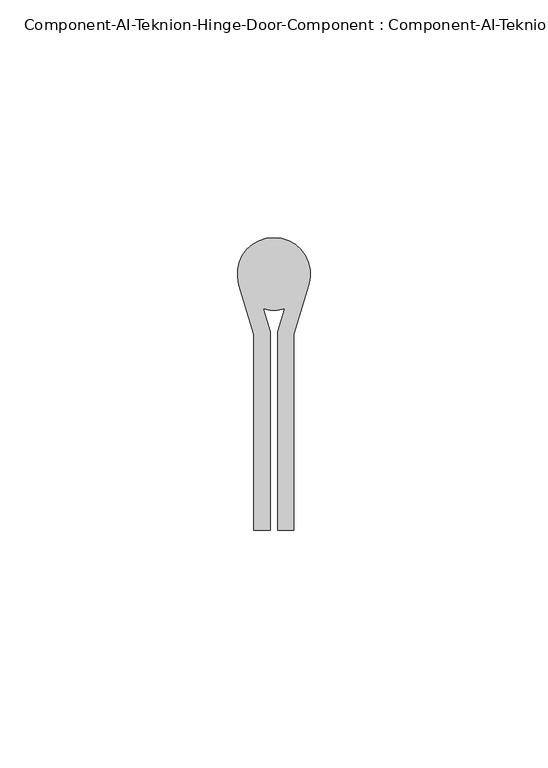
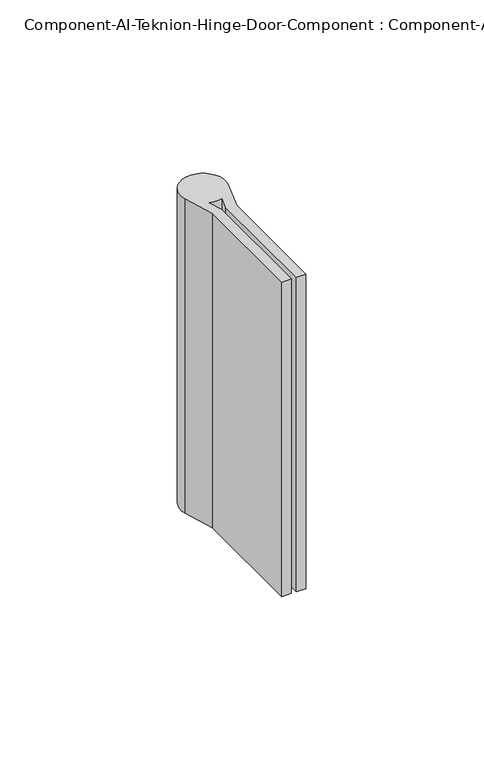
"""IFC4 building model written with IfcOpenShell, lengths in millimetres: furniture geometry, Component-AI-Teknion-Hinge-Door-Component : Component-AI-Teknion-Hinge-Door-Component."""

import ifcopenshell
import ifcopenshell.guid

model = None  # the IFC model being written
_history = None  # IfcOwnerHistory: only IFC2X3 demands one
_inside = {}  # id of a spatial element -> (the spatial element, [elements in it])
_under = {}  # id of a project, library or spatial element -> (it, [spatial elements below it])
_declared = {}  # id of a project -> (the project, [libraries it declares])
_typed = {}  # id of a type object -> (the type object, [elements of that type])
_made_of = {}  # id of a material, layer set ... -> (it, [elements and type objects made of it])


def new_model(schema):
    """Start an empty IFC model of exactly this schema.

    Asked for "IFC4X3", IfcOpenShell would pick the latest addendum, in which some entities
    have other attributes; the version numbers below select the first issue.
    IFC2X3 requires an IfcOwnerHistory on every rooted entity: one is made here for all.
    """
    global model, _history
    if schema == "IFC4X3":
        model = ifcopenshell.file(schema_version=(4, 3, 0, 0))
    else:
        model = ifcopenshell.file(schema=schema)
    _inside.clear()
    _under.clear()
    _declared.clear()
    _typed.clear()
    _made_of.clear()
    _history = None
    if model.schema == "IFC2X3":
        org = make("IfcOrganization", Name="unknown")
        user = make(
            "IfcPersonAndOrganization",
            ThePerson=make("IfcPerson", FamilyName="unknown"),
            TheOrganization=org,
        )
        app = make(
            "IfcApplication",
            ApplicationDeveloper=org,
            Version="unknown",
            ApplicationFullName="unknown",
            ApplicationIdentifier="unknown",
        )
        _history = make(
            "IfcOwnerHistory",
            OwningUser=user,
            OwningApplication=app,
            ChangeAction="ADDED",
            CreationDate=0,
        )
    return model


def make(cls, **values):
    """One entity of the class cls with the attributes given. An attribute that is None is left unset."""
    return model.create_entity(
        cls, **{name: value for name, value in values.items() if value is not None}
    )


def rooted(cls, **values):
    """An entity with a GlobalId (a new one), such as an element, a storey or a relation."""
    return make(cls, GlobalId=ifcopenshell.guid.new(), OwnerHistory=_history, **values)


def si_unit(unit_type, name, prefix=None):
    """IfcSIUnit, for example si_unit("LENGTHUNIT", "METRE", prefix="MILLI")."""
    return make("IfcSIUnit", UnitType=unit_type, Prefix=prefix, Name=name)


def assignment(units):
    """IfcUnitAssignment: the units of a project."""
    return None if units is None else make("IfcUnitAssignment", Units=units)


def point(xyz):
    """IfcCartesianPoint."""
    return None if xyz is None else make("IfcCartesianPoint", Coordinates=xyz)


def direction(xyz):
    """IfcDirection."""
    return None if xyz is None else make("IfcDirection", DirectionRatios=xyz)


def frame(location, z_axis=None, x_axis=None):
    """IfcAxis2Placement3D, a coordinate frame: its origin and axes. An axis left out is left unset."""
    return make(
        "IfcAxis2Placement3D",
        Location=point(location),
        Axis=direction(z_axis),
        RefDirection=direction(x_axis),
    )


def frame_2d(location, x_axis=None):
    """IfcAxis2Placement2D, a coordinate frame in the plane: its origin and x axis."""
    return make(
        "IfcAxis2Placement2D", Location=point(location), RefDirection=direction(x_axis)
    )


def origin():
    """The frame at (0, 0, 0) with its axes left unset."""
    return frame((0.0, 0.0, 0.0))


def origin_with_axes():
    """The frame at (0, 0, 0) with the z axis (0, 0, 1) and the x axis (1, 0, 0) written out."""
    return frame((0.0, 0.0, 0.0), z_axis=(0.0, 0.0, 1.0), x_axis=(1.0, 0.0, 0.0))


def place(relative_to, where):
    """IfcLocalPlacement: puts the frame where relative to a parent placement (None: the world)."""
    return make(
        "IfcLocalPlacement", PlacementRelTo=relative_to, RelativePlacement=where
    )


def context(
    kind, dimensions, precision=None, world=None, true_north=None, identifier=None
):
    """IfcGeometricRepresentationContext, for example the 3D "Model" context."""
    return make(
        "IfcGeometricRepresentationContext",
        ContextIdentifier=identifier,
        ContextType=kind,
        CoordinateSpaceDimension=dimensions,
        Precision=precision,
        WorldCoordinateSystem=world,
        TrueNorth=true_north,
    )


def project(units=None, contexts=None):
    """IfcProject with its units and contexts."""
    return rooted(
        "IfcProject",
        Name="project",
        RepresentationContexts=contexts,
        UnitsInContext=assignment(units),
    )


def spatial(cls, under=None, at=None, **own):
    """A site, building, storey or space (cls), placed at a placement, below another one or the project."""
    s = rooted(cls, ObjectPlacement=at, **own)
    if under is not None:
        _under.setdefault(under.id(), (under, []))[1].append(s)
    return s


def polyline(points):
    """IfcPolyline through the points."""
    return make("IfcPolyline", Points=[point(p) for p in points])


def circle_curve(where, radius):
    """IfcCircle in the frame where."""
    return make("IfcCircle", Position=where, Radius=radius)


def trimmed(basis, trim1, trim2, sense, master):
    """IfcTrimmedCurve: the piece of a basis curve between two trims."""
    return make(
        "IfcTrimmedCurve",
        BasisCurve=basis,
        Trim1=trim1,
        Trim2=trim2,
        SenseAgreement=sense,
        MasterRepresentation=master,
    )


def segment(curve, same_sense, transition):
    """IfcCompositeCurveSegment."""
    return make(
        "IfcCompositeCurveSegment",
        Transition=transition,
        SameSense=same_sense,
        ParentCurve=curve,
    )


def composite_curve(segments, self_intersect=None):
    """IfcCompositeCurve: segments joined end to end."""
    return make("IfcCompositeCurve", Segments=segments, SelfIntersect=self_intersect)


def outline(outer, holes=None, kind="AREA"):
    """IfcArbitraryClosedProfileDef: a profile drawn as a closed curve; with holes, ...WithVoids."""
    if holes is None:
        return make("IfcArbitraryClosedProfileDef", ProfileType=kind, OuterCurve=outer)
    return make(
        "IfcArbitraryProfileDefWithVoids",
        ProfileType=kind,
        OuterCurve=outer,
        InnerCurves=holes,
    )


def extrude(swept, where, along, depth):
    """IfcExtrudedAreaSolid: the profile swept, set in the frame where, extruded along a direction by depth."""
    return make(
        "IfcExtrudedAreaSolid",
        SweptArea=swept,
        Position=where,
        ExtrudedDirection=direction(along),
        Depth=depth,
    )


def shape(context_of_items, identifier, shape_type, items):
    """IfcShapeRepresentation: the items that make up one representation, for example the "Body"."""
    return make(
        "IfcShapeRepresentation",
        ContextOfItems=context_of_items,
        RepresentationIdentifier=identifier,
        RepresentationType=shape_type,
        Items=items,
    )


def source(mapping_origin, context_of_items, identifier, shape_type, items):
    """IfcRepresentationMap: a shape defined once, which mapped items show again and again."""
    return make(
        "IfcRepresentationMap",
        MappingOrigin=mapping_origin,
        MappedRepresentation=shape(context_of_items, identifier, shape_type, items),
    )


def transform(
    local_origin,
    x_axis=None,
    y_axis=None,
    z_axis=None,
    scale=None,
    scale2=None,
    scale3=None,
    uniform=True,
):
    """IfcCartesianTransformationOperator3D, or its non-uniform kind. x_axis, y_axis, z_axis: its Axis1, 2, 3."""
    if uniform:
        return make(
            "IfcCartesianTransformationOperator3D",
            Axis1=direction(x_axis),
            Axis2=direction(y_axis),
            LocalOrigin=point(local_origin),
            Scale=scale,
            Axis3=direction(z_axis),
        )
    return make(
        "IfcCartesianTransformationOperator3DnonUniform",
        Axis1=direction(x_axis),
        Axis2=direction(y_axis),
        LocalOrigin=point(local_origin),
        Scale=scale,
        Axis3=direction(z_axis),
        Scale2=scale2,
        Scale3=scale3,
    )


def mapped(mapping_source, mapping_target):
    """IfcMappedItem: shows the shape of a source again, moved by a transform."""
    return make(
        "IfcMappedItem", MappingSource=mapping_source, MappingTarget=mapping_target
    )


def made_of(thing, what):
    """Note that an element or type object is made of a material, layer set ...; save() writes the relation."""
    if what is not None:
        _made_of.setdefault(what.id(), (what, []))[1].append(thing)
    return thing


def element(
    cls,
    number,
    at=None,
    inside=None,
    cuts=None,
    type_object=None,
    material=None,
    context=None,
    identifier="Body",
    shape_type=None,
    held_by="IfcProductDefinitionShape",
    body=None,
    shapes=None,
    **own,
):
    """One element of the class cls, such as IfcWall. Its Tag is "e" and its number.

    at: its placement. inside: the storey or other place that contains it. cuts: it is an
    opening in that element (IfcRelVoidsElement). A single representation is given by context,
    identifier, shape_type and body (its items); several are given by shapes. held_by: the class
    of the entity that holds the representations. save() writes the other relations.
    """
    e = rooted(cls, Tag="e%d" % number, ObjectPlacement=at, **own)
    if body is not None:
        shapes = [shape(context, identifier, shape_type, body)]
    if shapes is not None:
        e.Representation = make(held_by, Representations=shapes)
    if inside is not None:
        _inside.setdefault(inside.id(), (inside, []))[1].append(e)
    if cuts is not None:
        rooted(
            "IfcRelVoidsElement", RelatingBuildingElement=cuts, RelatedOpeningElement=e
        )
    if type_object is not None:
        _typed.setdefault(type_object.id(), (type_object, []))[1].append(e)
    return made_of(e, material)


def aggregate(whole, parts):
    """IfcRelAggregates: a whole, such as a stair, and the parts it consists of."""
    return rooted("IfcRelAggregates", RelatingObject=whole, RelatedObjects=parts)


def save(model, path):
    """Write the relations noted so far, then the file.

    IfcRelAggregates (storeys below a building ...), IfcRelContainedInSpatialStructure (elements
    in a storey), IfcRelDefinesByType, IfcRelAssociatesMaterial and IfcRelDeclares: one each for
    every whole, place, type object, material and project.
    """
    for whole, parts in _under.values():
        aggregate(whole, parts)
    for where, things in _inside.values():
        rooted(
            "IfcRelContainedInSpatialStructure",
            RelatedElements=things,
            RelatingStructure=where,
        )
    for kind, things in _typed.values():
        rooted("IfcRelDefinesByType", RelatedObjects=things, RelatingType=kind)
    for what, things in _made_of.values():
        rooted("IfcRelAssociatesMaterial", RelatedObjects=things, RelatingMaterial=what)
    for by, libraries in _declared.values():
        rooted("IfcRelDeclares", RelatingContext=by, RelatedDefinitions=libraries)
    model.write(path)


def component_ai_teknion_hinge_door_component_component_ai_727700d4(model_context):
    return source(origin(), model_context, "Body", "SweptSolid", [
        extrude(outline(composite_curve([segment(polyline([(-4.1024655, 3.428821), (-7.2617763, 13.9116799)]), True, "CONTINUOUS"), segment(trimmed(circle_curve(frame_2d((0.0948845, 16.128821)), 7.6835), [point((-7.2617763, 13.9116799))], [point((7.4515452, 13.9116799))], False, "CARTESIAN"), True, "CONTINUOUS"), segment(polyline([(7.4515452, 13.9116799), (4.2922345, 3.428821), (4.2922345, -37.846179), (0.8886345, -37.846179), (0.8886345, 3.9305617), (2.3514004, 8.7841421)]), True, "CONTINUOUS"), segment(trimmed(circle_curve(frame_2d((0.0948845, 16.128821)), 7.6835), [point((2.3514004, 8.7841421))], [point((-2.1616314, 8.7841421))], False, "CARTESIAN"), True, "CONTINUOUS"), segment(polyline([(-2.1616314, 8.7841421), (-0.6988655, 3.9305617), (-0.6988655, -37.846179), (-4.1024655, -37.846179), (-4.1024655, 3.428821)]), True, "CONTINUOUS")], self_intersect=False)), origin_with_axes(), (0.0, 0.0, 1.0), 114.3),
    ])


if __name__ == "__main__":
    model = new_model("IFC4")
    model_context = context("Model", 3, world=origin())
    ifc_project = project(units=[si_unit("LENGTHUNIT", "METRE", prefix="MILLI")], contexts=[model_context])
    site = spatial("IfcSite", under=ifc_project)
    building = spatial("IfcBuilding", under=site)
    placement = place(None, origin())
    component_ai_teknion_hinge_door_component_component_ai_shape = component_ai_teknion_hinge_door_component_component_ai_727700d4(model_context)
    element("IfcFurniture", 1, ObjectType="Component-AI-Teknion-Hinge-Door-Component : Component-AI-Teknion-Hinge-Door-Component", at=placement, inside=building, context=model_context, shape_type="MappedRepresentation", body=[
        mapped(component_ai_teknion_hinge_door_component_component_ai_shape, transform((0.0, 0.0, 0.0), x_axis=(1.0, 0.0, 0.0), y_axis=(0.0, 1.0, 0.0), z_axis=(0.0, 0.0, 1.0))),
    ])
    save(model, "model.ifc")
